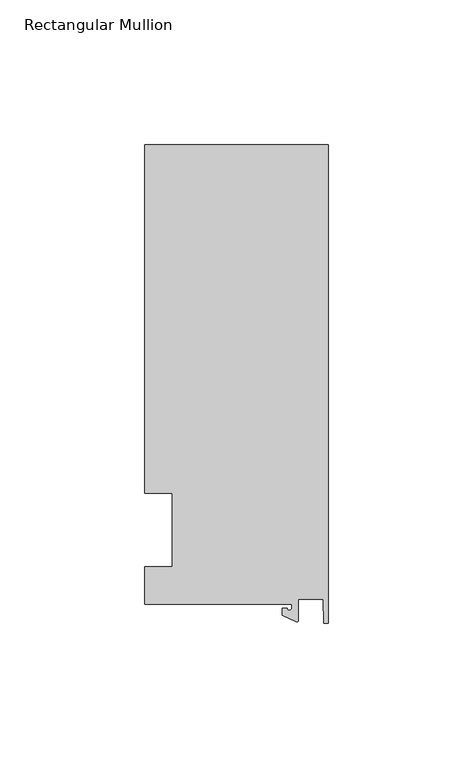
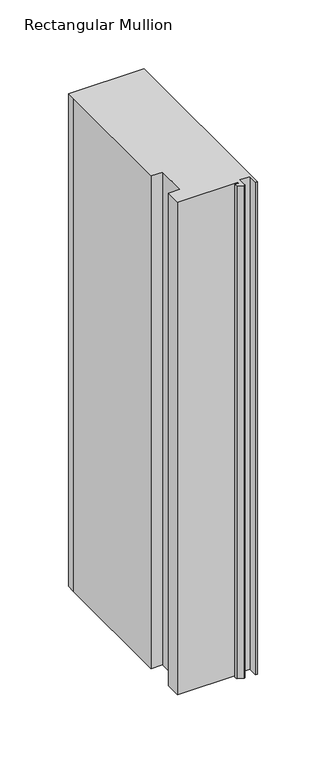
"""IFC4 building model written with IfcOpenShell, lengths in millimetres: member geometry, Rectangular Mullion."""

from ifc_helpers import new_model, si_unit, point, frame, frame_2d, origin, place, context, project, spatial, polyline, circle_curve, trimmed, segment, composite_curve, outline, extrude, source, transform, mapped, element, save


def rectangular_mullion_8cc2695e(model_context):
    return source(origin(), model_context, "Body", "SweptSolid", [
        extrude(outline(composite_curve([segment(polyline([(-12.6173814, -25.796875), (-63.5, -25.796875), (-63.5, -12.7), (-53.975, -12.7), (-53.975, 12.7), (-63.5, 12.7), (-63.5, 125.8114907), (-63.5, 133.34365), (0.0, 133.34365), (0.0, -32.288874), (-1.5658966, -32.288874), (-1.7144124, -23.9227662), (-10.2297814, -23.9227662), (-10.2297814, -31.2414327)]), True, "CONTINUOUS"), segment(trimmed(circle_curve(frame_2d((-10.7377814, -31.2414327)), 0.508), [point((-10.2297814, -31.2414327))], [point((-10.9524715, -31.7018371))], False, "CARTESIAN"), True, "CONTINUOUS"), segment(polyline([(-10.9524715, -31.7018371), (-15.7923814, -29.44495), (-15.7923814, -27.0827507), (-14.2048814, -27.0827507)]), True, "CONTINUOUS"), segment(trimmed(circle_curve(frame_2d((-13.4111314, -27.0827507)), 0.79375), [point((-14.2048814, -27.0827507))], [point((-12.6173814, -27.0827507))], True, "CARTESIAN"), True, "CONTINUOUS"), segment(polyline([(-12.6173814, -27.0827507), (-12.6173814, -25.796875)]), True, "CONTINUOUS")], self_intersect=False)), frame((0.0, 0.0, -438.15), z_axis=(0.0, 0.0, 1.0), x_axis=(1.0, 0.0, 0.0)), (0.0, 0.0, 1.0), 438.15),
    ])


if __name__ == "__main__":
    model = new_model("IFC4")
    model_context = context("Model", 3, world=origin())
    ifc_project = project(units=[si_unit("LENGTHUNIT", "METRE", prefix="MILLI")], contexts=[model_context])
    site = spatial("IfcSite", under=ifc_project)
    building = spatial("IfcBuilding", under=site)
    placement = place(None, origin())
    rectangular_mullion_shape = rectangular_mullion_8cc2695e(model_context)
    element("IfcMember", 1, ObjectType="Rectangular Mullion", at=placement, inside=building, context=model_context, shape_type="MappedRepresentation", body=[
        mapped(rectangular_mullion_shape, transform((0.0, 0.0, 0.0), x_axis=(1.0, 0.0, 0.0), y_axis=(0.0, 1.0, 0.0), z_axis=(0.0, 0.0, 1.0))),
    ])
    save(model, "model.ifc")
